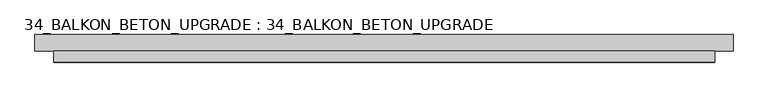
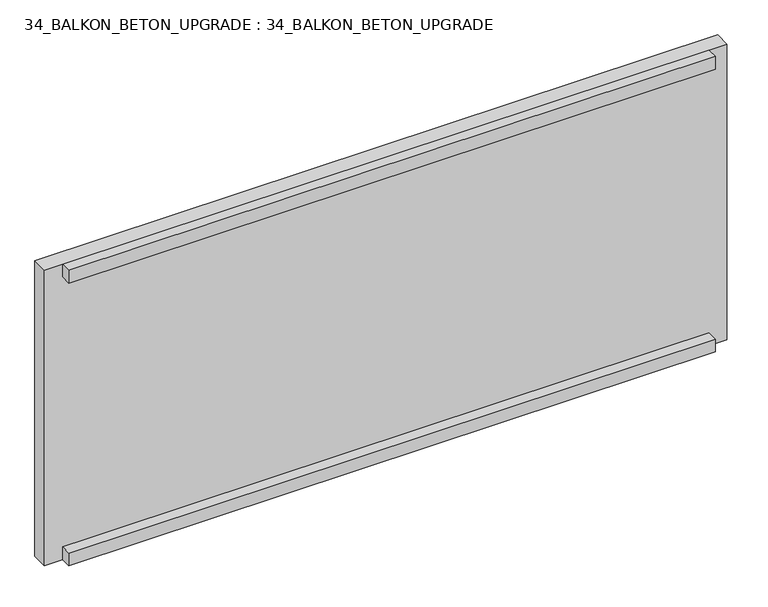
"""IFC4 building model written with IfcOpenShell, lengths in millimetres: proxy geometry, 34_BALKON_BETON_UPGRADE : 34_BALKON_BETON_UPGRADE."""

import ifcopenshell
import ifcopenshell.guid

model = None  # the IFC model being written
_history = None  # IfcOwnerHistory: only IFC2X3 demands one
_inside = {}  # id of a spatial element -> (the spatial element, [elements in it])
_under = {}  # id of a project, library or spatial element -> (it, [spatial elements below it])
_declared = {}  # id of a project -> (the project, [libraries it declares])
_typed = {}  # id of a type object -> (the type object, [elements of that type])
_made_of = {}  # id of a material, layer set ... -> (it, [elements and type objects made of it])


def new_model(schema):
    """Start an empty IFC model of exactly this schema.

    Asked for "IFC4X3", IfcOpenShell would pick the latest addendum, in which some entities
    have other attributes; the version numbers below select the first issue.
    IFC2X3 requires an IfcOwnerHistory on every rooted entity: one is made here for all.
    """
    global model, _history
    if schema == "IFC4X3":
        model = ifcopenshell.file(schema_version=(4, 3, 0, 0))
    else:
        model = ifcopenshell.file(schema=schema)
    _inside.clear()
    _under.clear()
    _declared.clear()
    _typed.clear()
    _made_of.clear()
    _history = None
    if model.schema == "IFC2X3":
        org = make("IfcOrganization", Name="unknown")
        user = make(
            "IfcPersonAndOrganization",
            ThePerson=make("IfcPerson", FamilyName="unknown"),
            TheOrganization=org,
        )
        app = make(
            "IfcApplication",
            ApplicationDeveloper=org,
            Version="unknown",
            ApplicationFullName="unknown",
            ApplicationIdentifier="unknown",
        )
        _history = make(
            "IfcOwnerHistory",
            OwningUser=user,
            OwningApplication=app,
            ChangeAction="ADDED",
            CreationDate=0,
        )
    return model


def make(cls, **values):
    """One entity of the class cls with the attributes given. An attribute that is None is left unset."""
    return model.create_entity(
        cls, **{name: value for name, value in values.items() if value is not None}
    )


def rooted(cls, **values):
    """An entity with a GlobalId (a new one), such as an element, a storey or a relation."""
    return make(cls, GlobalId=ifcopenshell.guid.new(), OwnerHistory=_history, **values)


def si_unit(unit_type, name, prefix=None):
    """IfcSIUnit, for example si_unit("LENGTHUNIT", "METRE", prefix="MILLI")."""
    return make("IfcSIUnit", UnitType=unit_type, Prefix=prefix, Name=name)


def assignment(units):
    """IfcUnitAssignment: the units of a project."""
    return None if units is None else make("IfcUnitAssignment", Units=units)


def point(xyz):
    """IfcCartesianPoint."""
    return None if xyz is None else make("IfcCartesianPoint", Coordinates=xyz)


def direction(xyz):
    """IfcDirection."""
    return None if xyz is None else make("IfcDirection", DirectionRatios=xyz)


def frame(location, z_axis=None, x_axis=None):
    """IfcAxis2Placement3D, a coordinate frame: its origin and axes. An axis left out is left unset."""
    return make(
        "IfcAxis2Placement3D",
        Location=point(location),
        Axis=direction(z_axis),
        RefDirection=direction(x_axis),
    )


def origin():
    """The frame at (0, 0, 0) with its axes left unset."""
    return frame((0.0, 0.0, 0.0))


def place(relative_to, where):
    """IfcLocalPlacement: puts the frame where relative to a parent placement (None: the world)."""
    return make(
        "IfcLocalPlacement", PlacementRelTo=relative_to, RelativePlacement=where
    )


def context(
    kind, dimensions, precision=None, world=None, true_north=None, identifier=None
):
    """IfcGeometricRepresentationContext, for example the 3D "Model" context."""
    return make(
        "IfcGeometricRepresentationContext",
        ContextIdentifier=identifier,
        ContextType=kind,
        CoordinateSpaceDimension=dimensions,
        Precision=precision,
        WorldCoordinateSystem=world,
        TrueNorth=true_north,
    )


def project(units=None, contexts=None):
    """IfcProject with its units and contexts."""
    return rooted(
        "IfcProject",
        Name="project",
        RepresentationContexts=contexts,
        UnitsInContext=assignment(units),
    )


def spatial(cls, under=None, at=None, **own):
    """A site, building, storey or space (cls), placed at a placement, below another one or the project."""
    s = rooted(cls, ObjectPlacement=at, **own)
    if under is not None:
        _under.setdefault(under.id(), (under, []))[1].append(s)
    return s


def polyline(points):
    """IfcPolyline through the points."""
    return make("IfcPolyline", Points=[point(p) for p in points])


def outline(outer, holes=None, kind="AREA"):
    """IfcArbitraryClosedProfileDef: a profile drawn as a closed curve; with holes, ...WithVoids."""
    if holes is None:
        return make("IfcArbitraryClosedProfileDef", ProfileType=kind, OuterCurve=outer)
    return make(
        "IfcArbitraryProfileDefWithVoids",
        ProfileType=kind,
        OuterCurve=outer,
        InnerCurves=holes,
    )


def extrude(swept, where, along, depth):
    """IfcExtrudedAreaSolid: the profile swept, set in the frame where, extruded along a direction by depth."""
    return make(
        "IfcExtrudedAreaSolid",
        SweptArea=swept,
        Position=where,
        ExtrudedDirection=direction(along),
        Depth=depth,
    )


def faces_of(points, faces, orient=None, outer=None):
    """IfcFace entities. A face is a list of loops; a loop is a list of indices into points, from 0.

    orient and outer hold one flag for each loop. By default every Orientation is true, the
    first loop of a face is its IfcFaceOuterBound and the others are IfcFaceBound.
    """
    made = []
    for i, loops in enumerate(faces):
        bounds = []
        for j, loop in enumerate(loops):
            is_outer = j == 0 if outer is None else outer[i][j]
            bounds.append(
                make(
                    "IfcFaceOuterBound" if is_outer else "IfcFaceBound",
                    Bound=make("IfcPolyLoop", Polygon=[points[k] for k in loop]),
                    Orientation=True if orient is None else orient[i][j],
                )
            )
        made.append(make("IfcFace", Bounds=bounds))
    return made


def faceted_brep(points, faces, orient=None, outer=None, voids=None):
    """IfcFacetedBrep: a solid bounded by flat faces; with voids (closed shells), ...WithVoids."""
    shared = [point(p) for p in points]
    hull = make("IfcClosedShell", CfsFaces=faces_of(shared, faces, orient, outer))
    if voids is None:
        return make("IfcFacetedBrep", Outer=hull)
    return make(
        "IfcFacetedBrepWithVoids",
        Outer=hull,
        Voids=[
            make(cls, CfsFaces=faces_of(shared, fs, o, b)) for cls, fs, o, b in voids
        ],
    )


def shape(context_of_items, identifier, shape_type, items):
    """IfcShapeRepresentation: the items that make up one representation, for example the "Body"."""
    return make(
        "IfcShapeRepresentation",
        ContextOfItems=context_of_items,
        RepresentationIdentifier=identifier,
        RepresentationType=shape_type,
        Items=items,
    )


def source(mapping_origin, context_of_items, identifier, shape_type, items):
    """IfcRepresentationMap: a shape defined once, which mapped items show again and again."""
    return make(
        "IfcRepresentationMap",
        MappingOrigin=mapping_origin,
        MappedRepresentation=shape(context_of_items, identifier, shape_type, items),
    )


def transform(
    local_origin,
    x_axis=None,
    y_axis=None,
    z_axis=None,
    scale=None,
    scale2=None,
    scale3=None,
    uniform=True,
):
    """IfcCartesianTransformationOperator3D, or its non-uniform kind. x_axis, y_axis, z_axis: its Axis1, 2, 3."""
    if uniform:
        return make(
            "IfcCartesianTransformationOperator3D",
            Axis1=direction(x_axis),
            Axis2=direction(y_axis),
            LocalOrigin=point(local_origin),
            Scale=scale,
            Axis3=direction(z_axis),
        )
    return make(
        "IfcCartesianTransformationOperator3DnonUniform",
        Axis1=direction(x_axis),
        Axis2=direction(y_axis),
        LocalOrigin=point(local_origin),
        Scale=scale,
        Axis3=direction(z_axis),
        Scale2=scale2,
        Scale3=scale3,
    )


def mapped(mapping_source, mapping_target):
    """IfcMappedItem: shows the shape of a source again, moved by a transform."""
    return make(
        "IfcMappedItem", MappingSource=mapping_source, MappingTarget=mapping_target
    )


def made_of(thing, what):
    """Note that an element or type object is made of a material, layer set ...; save() writes the relation."""
    if what is not None:
        _made_of.setdefault(what.id(), (what, []))[1].append(thing)
    return thing


def element(
    cls,
    number,
    at=None,
    inside=None,
    cuts=None,
    type_object=None,
    material=None,
    context=None,
    identifier="Body",
    shape_type=None,
    held_by="IfcProductDefinitionShape",
    body=None,
    shapes=None,
    **own,
):
    """One element of the class cls, such as IfcWall. Its Tag is "e" and its number.

    at: its placement. inside: the storey or other place that contains it. cuts: it is an
    opening in that element (IfcRelVoidsElement). A single representation is given by context,
    identifier, shape_type and body (its items); several are given by shapes. held_by: the class
    of the entity that holds the representations. save() writes the other relations.
    """
    e = rooted(cls, Tag="e%d" % number, ObjectPlacement=at, **own)
    if body is not None:
        shapes = [shape(context, identifier, shape_type, body)]
    if shapes is not None:
        e.Representation = make(held_by, Representations=shapes)
    if inside is not None:
        _inside.setdefault(inside.id(), (inside, []))[1].append(e)
    if cuts is not None:
        rooted(
            "IfcRelVoidsElement", RelatingBuildingElement=cuts, RelatedOpeningElement=e
        )
    if type_object is not None:
        _typed.setdefault(type_object.id(), (type_object, []))[1].append(e)
    return made_of(e, material)


def aggregate(whole, parts):
    """IfcRelAggregates: a whole, such as a stair, and the parts it consists of."""
    return rooted("IfcRelAggregates", RelatingObject=whole, RelatedObjects=parts)


def save(model, path):
    """Write the relations noted so far, then the file.

    IfcRelAggregates (storeys below a building ...), IfcRelContainedInSpatialStructure (elements
    in a storey), IfcRelDefinesByType, IfcRelAssociatesMaterial and IfcRelDeclares: one each for
    every whole, place, type object, material and project.
    """
    for whole, parts in _under.values():
        aggregate(whole, parts)
    for where, things in _inside.values():
        rooted(
            "IfcRelContainedInSpatialStructure",
            RelatedElements=things,
            RelatingStructure=where,
        )
    for kind, things in _typed.values():
        rooted("IfcRelDefinesByType", RelatedObjects=things, RelatingType=kind)
    for what, things in _made_of.values():
        rooted("IfcRelAssociatesMaterial", RelatedObjects=things, RelatingMaterial=what)
    for by, libraries in _declared.values():
        rooted("IfcRelDeclares", RelatingContext=by, RelatedDefinitions=libraries)
    model.write(path)


def proxy_34_balkon_beton_upgrade_34_balkon_beton_upgrade_33d13401(model_context):
    return source(origin(), model_context, "Body", "SolidModel", [
        extrude(outline(polyline([(0.0, -171.0), (0.0, -131.0), (2400.0, -131.0), (2400.0, -171.0), (0.0, -171.0)])), frame((0.0, 0.0, -160.0), z_axis=(0.0, 0.0, 1.0), x_axis=(1.0, 0.0, 0.0)), (0.0, 0.0, 1.0), 50.1252074),
        extrude(outline(polyline([(0.0, -171.0), (0.0, -131.0), (2400.0, -131.0), (2400.0, -171.0), (0.0, -171.0)])), frame((0.0, 0.0, 949.8747926), z_axis=(0.0, 0.0, 1.0), x_axis=(1.0, 0.0, 0.0)), (0.0, 0.0, 1.0), 50.1252074),
        faceted_brep([(2467.016579, -71.0, 1000.0), (-67.983421, -71.0, 1000.0), (-67.983421, -131.0, 1000.0), (2467.016579, -131.0, 1000.0), (2467.016579, -71.0, -160.0), (2467.016579, -131.0, -160.0), (-67.983421, -131.0, -160.0), (-67.983421, -71.0, -160.0), (80.0, -71.0, 920.0866276), (80.0, -71.0, 0.0), (764.7878361, -71.0, 0.0), (764.7878361, -71.0, 920.0866276), (398.0, -71.0, -55.4898511), (398.0, -71.0, -104.5186216), (447.0, -71.0, -104.5186216), (447.0, -71.0, -55.4898511), (835.0, -71.0, 920.0866276), (835.0, -71.0, 0.0), (1564.9346322, -71.0, 0.0), (1564.9346322, -71.0, 920.0866276), (1635.0, -71.0, 920.0866276), (1635.0, -71.0, 0.0), (2319.772068, -71.0, 0.0), (2319.772068, -71.0, 920.0866276), (1175.5, -71.0, -55.4898511), (1175.5, -71.0, -104.5186216), (1224.5, -71.0, -104.5186216), (1224.5, -71.0, -55.4898511), (1953.0, -71.0, -55.4898511), (1953.0, -71.0, -104.5186216), (2002.0, -71.0, -104.5186216), (2002.0, -71.0, -55.4898511), (80.0, -101.0, 920.0866276), (764.7878361, -101.0, 920.0866276), (764.7878361, -101.0, 0.0), (80.0, -101.0, 0.0), (398.0, -130.0, -55.4898511), (447.0, -130.0, -55.4898511), (447.0, -130.0, -104.5186216), (398.0, -130.0, -104.5186216), (835.0, -101.0, 920.0866276), (1564.9346322, -101.0, 920.0866276), (1564.9346322, -101.0, 0.0), (835.0, -101.0, 0.0), (1635.0, -101.0, 920.0866276), (2319.772068, -101.0, 920.0866276), (2319.772068, -101.0, 0.0), (1635.0, -101.0, 0.0), (1175.5, -130.0, -55.4898511), (1224.5, -130.0, -55.4898511), (1224.5, -130.0, -104.5186216), (1175.5, -130.0, -104.5186216), (1953.0, -130.0, -55.4898511), (2002.0, -130.0, -55.4898511), (2002.0, -130.0, -104.5186216), (1953.0, -130.0, -104.5186216)], [[[0, 1, 2, 3]], [[4, 5, 6, 7]], [[3, 5, 4, 0]], [[2, 6, 5, 3]], [[1, 7, 6, 2]], [[0, 4, 7, 1], [8, 9, 10, 11], [12, 13, 14, 15], [16, 17, 18, 19], [20, 21, 22, 23], [24, 25, 26, 27], [28, 29, 30, 31]], [[32, 8, 11, 33]], [[34, 10, 9, 35]], [[33, 34, 35, 32]], [[35, 9, 8, 32]], [[33, 11, 10, 34]], [[36, 12, 15, 37]], [[38, 14, 13, 39]], [[37, 15, 14, 38]], [[37, 38, 39, 36]], [[39, 13, 12, 36]], [[40, 16, 19, 41]], [[42, 18, 17, 43]], [[41, 42, 43, 40]], [[43, 17, 16, 40]], [[41, 19, 18, 42]], [[44, 20, 23, 45]], [[46, 22, 21, 47]], [[45, 46, 47, 44]], [[47, 21, 20, 44]], [[45, 23, 22, 46]], [[48, 24, 27, 49]], [[50, 26, 25, 51]], [[51, 25, 24, 48]], [[49, 50, 51, 48]], [[49, 27, 26, 50]], [[52, 28, 31, 53]], [[54, 30, 29, 55]], [[55, 29, 28, 52]], [[53, 54, 55, 52]], [[53, 31, 30, 54]]]),
    ])


if __name__ == "__main__":
    model = new_model("IFC4")
    model_context = context("Model", 3, world=origin())
    ifc_project = project(units=[si_unit("LENGTHUNIT", "METRE", prefix="MILLI")], contexts=[model_context])
    site = spatial("IfcSite", under=ifc_project)
    building = spatial("IfcBuilding", under=site)
    placement = place(None, origin())
    proxy_34_balkon_beton_upgrade_34_balkon_beton_upgrade_shape = proxy_34_balkon_beton_upgrade_34_balkon_beton_upgrade_33d13401(model_context)
    element("IfcBuildingElementProxy", 1, Name="34_BALKON_BETON_UPGRADE : 34_BALKON_BETON_UPGRADE", ObjectType="34_BALKON_BETON_UPGRADE : 34_BALKON_BETON_UPGRADE", at=placement, inside=building, context=model_context, shape_type="MappedRepresentation", body=[
        mapped(proxy_34_balkon_beton_upgrade_34_balkon_beton_upgrade_shape, transform((0.0, 0.0, 0.0), x_axis=(1.0, 0.0, 0.0), y_axis=(0.0, 1.0, 0.0), z_axis=(0.0, 0.0, 1.0))),
    ])
    save(model, "model.ifc")
